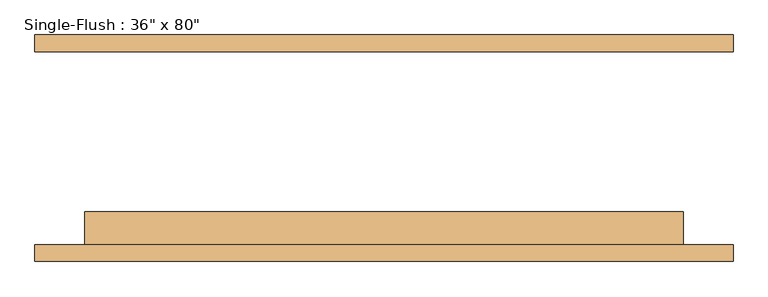
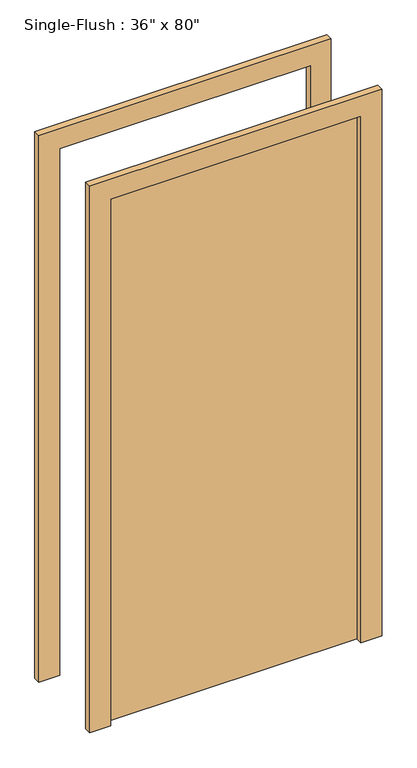
"""IFC4 building model written with IfcOpenShell, lengths in millimetres: door geometry."""

from ifc_helpers import new_model, si_unit, frame, origin, origin_with_axes, place, context, project, spatial, polyline, outline, extrude, source, transform, mapped, element, save


def door_aaed697e(model_context):
    return source(origin(), model_context, "Body", "SweptSolid", [
        extrude(outline(polyline([(2108.2, -533.4), (0.0, -533.4), (0.0, -457.2), (2032.0, -457.2), (2032.0, 457.2), (0.0, 457.2), (0.0, 533.4), (2108.2, 533.4), (2108.2, -533.4)])), frame((0.0, -173.0375, 0.0), z_axis=(0.0, 1.0, 0.0), x_axis=(0.0, 0.0, 1.0)), (0.0, 0.0, 1.0), 25.4),
        extrude(outline(polyline([(2108.2, 533.4), (2108.2, -533.4), (0.0, -533.4), (0.0, -457.2), (2032.0, -457.2), (2032.0, 457.2), (0.0, 457.2), (0.0, 533.4), (2108.2, 533.4)])), frame((0.0, 147.6375, 0.0), z_axis=(0.0, 1.0, 0.0), x_axis=(0.0, 0.0, 1.0)), (0.0, 0.0, 1.0), 25.4),
        extrude(outline(polyline([(457.2, -96.8375), (457.2, -147.6375), (-457.2, -147.6375), (-457.2, -96.8375), (457.2, -96.8375)])), origin_with_axes(), (0.0, 0.0, 1.0), 2032.0),
    ])


if __name__ == "__main__":
    model = new_model("IFC4")
    model_context = context("Model", 3, world=origin())
    ifc_project = project(units=[si_unit("LENGTHUNIT", "METRE", prefix="MILLI")], contexts=[model_context])
    site = spatial("IfcSite", under=ifc_project)
    building = spatial("IfcBuilding", under=site)
    placement = place(None, origin())
    door_shape = door_aaed697e(model_context)
    element("IfcDoor", 1, ObjectType="Single-Flush : 36\" x 80\"", at=placement, inside=building, context=model_context, shape_type="MappedRepresentation", body=[
        mapped(door_shape, transform((0.0, 0.0, 0.0), x_axis=(1.0, 0.0, 0.0), y_axis=(0.0, 1.0, 0.0), z_axis=(0.0, 0.0, 1.0))),
    ])
    save(model, "model.ifc")
